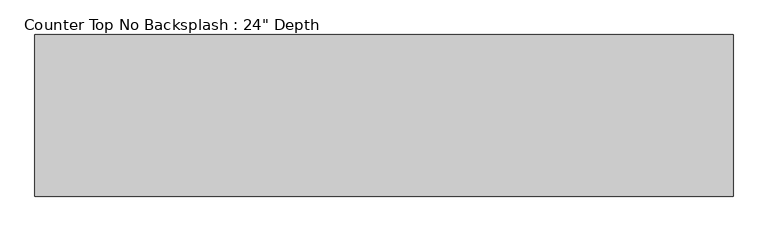
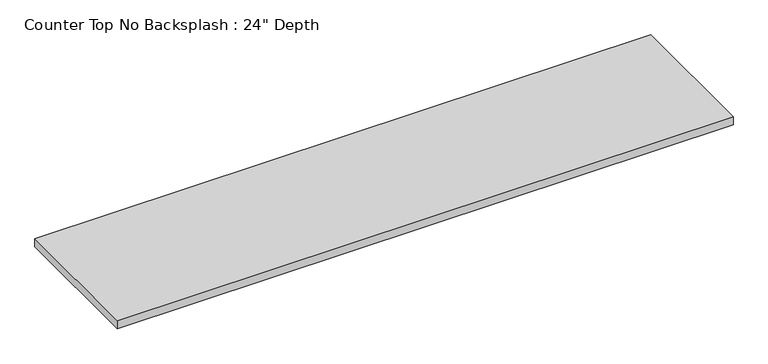
"""IFC4 building model written with IfcOpenShell, lengths in millimetres: furniture geometry."""

from ifc_helpers import new_model, si_unit, frame, origin, place, context, project, spatial, polyline, outline, extrude, source, transform, mapped, element, save


def furniture_d7161175(model_context):
    return source(origin(), model_context, "Body", "SweptSolid", [
        extrude(outline(polyline([(1542.565255, 0.0), (1542.565255, -635.0), (-1200.4622951, -635.0), (-1200.4622951, 0.0), (1542.565255, 0.0)])), frame((0.0, 0.0, 876.3), z_axis=(0.0, 0.0, 1.0), x_axis=(1.0, 0.0, 0.0)), (0.0, 0.0, 1.0), 38.1),
    ])


if __name__ == "__main__":
    model = new_model("IFC4")
    model_context = context("Model", 3, world=origin())
    ifc_project = project(units=[si_unit("LENGTHUNIT", "METRE", prefix="MILLI")], contexts=[model_context])
    site = spatial("IfcSite", under=ifc_project)
    building = spatial("IfcBuilding", under=site)
    placement = place(None, origin())
    furniture_shape = furniture_d7161175(model_context)
    element("IfcFurniture", 1, ObjectType="Counter Top No Backsplash : 24\" Depth", at=placement, inside=building, context=model_context, shape_type="MappedRepresentation", body=[
        mapped(furniture_shape, transform((0.0, 0.0, 0.0), x_axis=(1.0, 0.0, 0.0), y_axis=(0.0, 1.0, 0.0), z_axis=(0.0, 0.0, 1.0))),
    ])
    save(model, "model.ifc")
